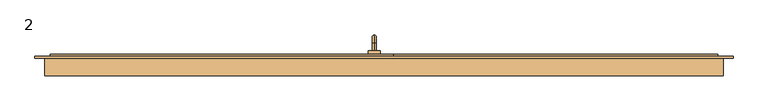
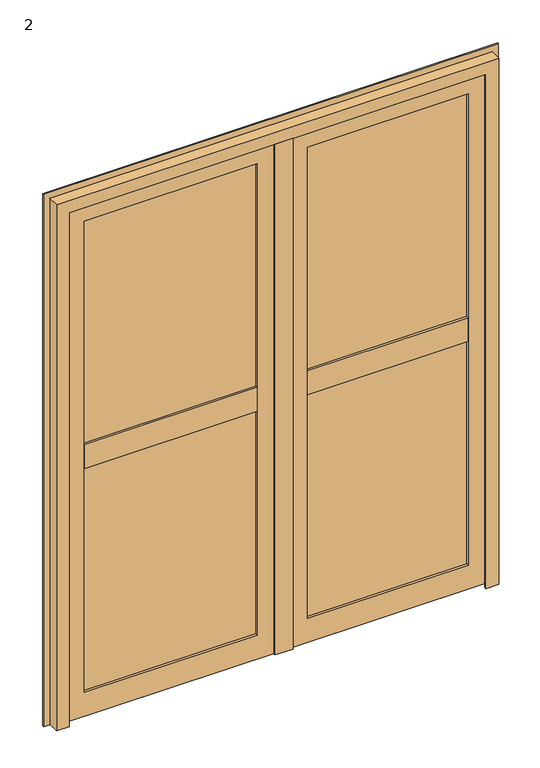
"""IFC4 building model written with IfcOpenShell, lengths in millimetres: door geometry, 2."""

from ifc_helpers import new_model, si_unit, point, frame, origin, place, context, project, spatial, polyline, circle_curve, ellipse_curve, trimmed, outline, extrude, faceted_brep, source, transform, mapped, element, save
from ifc_brep_helpers import plane_surface, cylinder_surface, revolved_surface, advanced_brep


def door_2_fb6259d6(model_context):
    return source(origin(), model_context, "Body", "SolidModel", [
        advanced_brep(
        [(-50.0, 170.0, 905.0), (-50.0, 189.0, 905.0), (-50.0, 189.0, 895.0), (-50.0, 170.0, 895.0), (-50.0, 210.0, 884.0), (-50.0, 200.0, 884.0), (-50.0, 210.0, 805.0), (-50.0, 200.0, 805.0), (-65.0, 170.0, 930.0), (-35.0, 170.0, 930.0), (-35.0, 170.0, 870.0), (-65.0, 170.0, 870.0), (-65.0, 160.0, 930.0), (-65.0, 160.0, 870.0), (-35.0, 160.0, 870.0), (-35.0, 160.0, 930.0)],
        [
            (0, 1),
            (1, 2, circle_curve(frame((-50.0, 189.0, 900.0), z_axis=(0.0, -1.0, 0.0), x_axis=(0.0, 0.0, -1.0)), 5.0)),
            (2, 3),
            (3, 0, circle_curve(frame((-50.0, 170.0, 900.0), z_axis=(0.0, 1.0, 0.0), x_axis=(0.0, 0.0, -1.0)), 5.0)),
            (0, 3, circle_curve(frame((-50.0, 170.0, 900.0), z_axis=(0.0, 1.0, 0.0), x_axis=(0.0, 0.0, -1.0)), 5.0)),
            (2, 1, circle_curve(frame((-50.0, 189.0, 900.0), z_axis=(0.0, -1.0, 0.0), x_axis=(0.0, 0.0, -1.0)), 5.0)),
            (1, 4, circle_curve(frame((-50.0, 189.0, 884.0), z_axis=(-1.0, 0.0, 0.0), x_axis=(0.0, 0.0, 1.0)), 21.0)),
            (4, 5, circle_curve(frame((-50.0, 205.0, 884.0), z_axis=(0.0, 0.0, 1.0), x_axis=(0.0, -1.0, 0.0)), 5.0)),
            (5, 2, circle_curve(frame((-50.0, 189.0, 884.0), z_axis=(1.0, 0.0, 0.0), x_axis=(0.0, 0.0, 1.0)), 11.0)),
            (5, 4, circle_curve(frame((-50.0, 205.0, 884.0), z_axis=(0.0, 0.0, 1.0), x_axis=(0.0, -1.0, 0.0)), 5.0)),
            (6, 7, circle_curve(frame((-50.0, 205.0, 805.0), z_axis=(0.0, 0.0, -1.0), x_axis=(0.0, -1.0, 0.0)), 5.0)),
            (7, 6, circle_curve(frame((-50.0, 205.0, 805.0), z_axis=(0.0, 0.0, -1.0), x_axis=(0.0, -1.0, 0.0)), 5.0)),
            (4, 6),
            (7, 5),
            (8, 9),
            (9, 10),
            (10, 11),
            (11, 8),
            (12, 13),
            (13, 14),
            (14, 15),
            (15, 12),
            (8, 12),
            (15, 9),
            (14, 10),
            (13, 11),
        ],
        [
            cylinder_surface(frame((-50.0, 170.0, 900.0), z_axis=(0.0, -1.0, 0.0), x_axis=(0.0, 0.0, -1.0)), 5.0),
            revolved_surface(trimmed(ellipse_curve(frame((-50.0, 189.0, 900.0), z_axis=(0.0, -1.0, 0.0), x_axis=(0.0, 0.0, -1.0)), 5.0, 5.0), [point((-50.0, 189.0, 905.0))], [point((-50.0, 189.0, 895.0))], True, "CARTESIAN"), (-50.0, 189.0, 884.0), (-1.0, 0.0, 0.0)),
            revolved_surface(trimmed(ellipse_curve(frame((-50.0, 189.0, 900.0), z_axis=(0.0, -1.0, 0.0), x_axis=(0.0, 0.0, -1.0)), 5.0, 5.0), [point((-50.0, 189.0, 895.0))], [point((-50.0, 189.0, 905.0))], True, "CARTESIAN"), (-50.0, 189.0, 884.0), (-1.0, 0.0, 0.0)),
            plane_surface(frame((-50.0, 205.0, 805.0), z_axis=(0.0, 0.0, -1.0), x_axis=(-1.0, 0.0, 0.0))),
            cylinder_surface(frame((-50.0, 205.0, 884.0), z_axis=(0.0, 0.0, 1.0), x_axis=(0.0, -1.0, 0.0)), 5.0),
            plane_surface(frame((-35.0, 170.0, 930.0), z_axis=(0.0, 1.0, 0.0), x_axis=(1.0, 0.0, 0.0))),
            plane_surface(frame((-35.0, 160.0, 930.0), z_axis=(0.0, -1.0, 0.0), x_axis=(-1.0, 0.0, 0.0))),
            plane_surface(frame((-65.0, 170.0, 930.0), z_axis=(0.0, 0.0, 1.0), x_axis=(0.0, -1.0, 0.0))),
            plane_surface(frame((-35.0, 170.0, 930.0), z_axis=(1.0, 0.0, 0.0), x_axis=(0.0, -1.0, 0.0))),
            plane_surface(frame((-35.0, 170.0, 870.0), z_axis=(0.0, 0.0, -1.0), x_axis=(0.0, -1.0, 0.0))),
            plane_surface(frame((-65.0, 170.0, 870.0), z_axis=(-1.0, 0.0, 0.0), x_axis=(0.0, -1.0, 0.0))),
        ],
        [
            (0, [[1, 2, 3, 4]]),
            (0, [[-1, 5, -3, 6]]),
            (1, [[-2, 7, 8, 9]]),
            (2, [[-6, -9, 10, -7]]),
            (3, [[11, 12]]),
            (4, [[-8, 13, -12, 14]]),
            (4, [[-10, -14, -11, -13]]),
            (5, [[15, 16, 17, 18], [-4, -5]]),
            (6, [[19, 20, 21, 22]]),
            (7, [[-15, 23, -22, 24]]),
            (8, [[-16, -24, -21, 25]]),
            (9, [[-17, -25, -20, 26]]),
            (10, [[-18, -26, -19, -23]]),
        ],
    ),
        extrude(outline(polyline([(150.0, 22.0), (150.0, 7.0), (145.0, 7.0), (145.0, 12.0), (130.0, 12.0), (130.0, 7.0), (125.0, 7.0), (125.0, 22.0), (150.0, 22.0)])), frame((0.0, 0.0, 0.0), z_axis=(1.0, 0.0, 0.0), x_axis=(0.0, 1.0, 0.0)), (0.0, 0.0, 1.0), 835.0),
        extrude(outline(polyline([(150.0, 22.0), (150.0, 7.0), (145.0, 7.0), (145.0, 12.0), (130.0, 12.0), (130.0, 7.0), (125.0, 7.0), (125.0, 22.0), (150.0, 22.0)])), frame((-885.0, 0.0, 0.0), z_axis=(1.0, 0.0, 0.0), x_axis=(0.0, 1.0, 0.0)), (0.0, 0.0, 1.0), 885.0),
        faceted_brep([(0.0, 115.0, 40.0), (0.0, 125.0, 40.0), (0.0, 125.0, 15.0), (0.0, 115.0, 15.0), (835.0, 115.0, 40.0), (835.0, 115.0, 15.0), (835.0, 125.0, 15.0), (835.0, 125.0, 40.0), (25.0, 115.0, 40.0), (25.0, 125.0, 40.0), (810.0, 125.0, 40.0), (810.0, 115.0, 40.0), (810.0, 115.0, 2160.0), (25.0, 115.0, 2160.0), (100.0, 115.0, 2085.0), (735.0, 115.0, 2085.0), (735.0, 115.0, 115.0), (100.0, 115.0, 115.0), (835.0, 150.0, 2185.0), (835.0, 160.0, 2185.0), (0.0, 160.0, 2185.0), (0.0, 150.0, 2185.0), (760.0, 160.0, 2110.0), (760.0, 125.0, 2110.0), (75.0, 125.0, 2110.0), (75.0, 160.0, 2110.0), (735.0, 125.0, 2085.0), (100.0, 125.0, 2085.0), (810.0, 150.0, 2160.0), (25.0, 150.0, 2160.0), (0.0, 160.0, 15.0), (0.0, 150.0, 15.0), (75.0, 125.0, 90.0), (75.0, 160.0, 90.0), (100.0, 125.0, 115.0), (25.0, 150.0, 40.0), (835.0, 160.0, 15.0), (835.0, 150.0, 15.0), (760.0, 125.0, 90.0), (760.0, 160.0, 90.0), (735.0, 125.0, 115.0), (810.0, 150.0, 40.0)], [[[0, 1, 2, 3]], [[4, 5, 6, 7]], [[1, 0, 8, 9]], [[4, 7, 10, 11]], [[2, 1, 9, 10, 7, 6]], [[3, 2, 6, 5]], [[0, 3, 5, 4, 11, 12, 13, 8], [14, 15, 16, 17]], [[18, 19, 20, 21]], [[22, 23, 24, 25]], [[26, 15, 14, 27]], [[12, 28, 29, 13]], [[21, 20, 30, 31]], [[25, 24, 32, 33]], [[27, 14, 17, 34]], [[13, 29, 35, 9, 8]], [[31, 30, 36, 37]], [[33, 32, 38, 39]], [[34, 17, 16, 40]], [[35, 41, 10, 9]], [[19, 18, 37, 36]], [[20, 19, 36, 30], [22, 25, 33, 39]], [[23, 22, 39, 38]], [[24, 23, 38, 32], [26, 27, 34, 40]], [[15, 26, 40, 16]], [[28, 12, 11, 10, 41]], [[18, 21, 31, 37], [29, 28, 41, 35]]]),
        faceted_brep([(-885.0, 160.0, 2185.0), (-885.0, 150.0, 2185.0), (0.0, 150.0, 2185.0), (0.0, 160.0, 2185.0), (-810.0, 125.0, 2110.0), (-810.0, 160.0, 2110.0), (-75.0, 160.0, 2110.0), (-75.0, 125.0, 2110.0), (-785.0, 115.0, 2085.0), (-785.0, 125.0, 2085.0), (-100.0, 125.0, 2085.0), (-100.0, 115.0, 2085.0), (-860.0, 150.0, 2160.0), (-860.0, 115.0, 2160.0), (-25.0, 115.0, 2160.0), (-25.0, 150.0, 2160.0), (0.0, 150.0, 15.0), (0.0, 160.0, 15.0), (-75.0, 160.0, 90.0), (-75.0, 125.0, 90.0), (-100.0, 125.0, 115.0), (-100.0, 115.0, 115.0), (-25.0, 115.0, 40.0), (-25.0, 125.0, 40.0), (-25.0, 150.0, 40.0), (-885.0, 150.0, 15.0), (-885.0, 160.0, 15.0), (-810.0, 160.0, 90.0), (-810.0, 125.0, 90.0), (-785.0, 125.0, 115.0), (-785.0, 115.0, 115.0), (-860.0, 150.0, 40.0), (-860.0, 125.0, 40.0), (-860.0, 115.0, 40.0), (-885.0, 115.0, 40.0), (-885.0, 115.0, 15.0), (0.0, 115.0, 15.0), (0.0, 115.0, 40.0), (0.0, 125.0, 15.0), (0.0, 125.0, 40.0), (-885.0, 125.0, 40.0), (-885.0, 125.0, 15.0)], [[[0, 1, 2, 3]], [[4, 5, 6, 7]], [[8, 9, 10, 11]], [[12, 13, 14, 15]], [[3, 2, 16, 17]], [[7, 6, 18, 19]], [[11, 10, 20, 21]], [[15, 14, 22, 23, 24]], [[17, 16, 25, 26]], [[19, 18, 27, 28]], [[21, 20, 29, 30]], [[31, 24, 23, 32]], [[1, 0, 26, 25]], [[0, 3, 17, 26], [6, 5, 27, 18]], [[5, 4, 28, 27]], [[4, 7, 19, 28], [10, 9, 29, 20]], [[9, 8, 30, 29]], [[14, 13, 33, 34, 35, 36, 37, 22], [8, 11, 21, 30]], [[13, 12, 31, 32, 33]], [[2, 1, 25, 16], [12, 15, 24, 31]], [[37, 36, 38, 39]], [[34, 40, 41, 35]], [[37, 39, 23, 22]], [[40, 34, 33, 32]], [[39, 38, 41, 40, 32, 23]], [[38, 36, 35, 41]]]),
        extrude(outline(polyline([(85.0, 125.0), (85.0, 139.0), (750.0, 139.0), (750.0, 125.0), (85.0, 125.0)])), frame((0.0, 0.0, 1135.0), z_axis=(0.0, 0.0, 1.0), x_axis=(1.0, 0.0, 0.0)), (0.0, 0.0, 1.0), 965.0),
        extrude(outline(polyline([(85.0, 125.0), (85.0, 139.0), (750.0, 139.0), (750.0, 125.0), (85.0, 125.0)])), frame((0.0, 0.0, 100.0), z_axis=(0.0, 0.0, 1.0), x_axis=(1.0, 0.0, 0.0)), (0.0, 0.0, 1.0), 965.0),
        extrude(outline(polyline([(-800.0, 125.0), (-800.0, 139.0), (-85.0, 139.0), (-85.0, 125.0), (-800.0, 125.0)])), frame((0.0, 0.0, 1135.0), z_axis=(0.0, 0.0, 1.0), x_axis=(1.0, 0.0, 0.0)), (0.0, 0.0, 1.0), 965.0),
        extrude(outline(polyline([(-800.0, 125.0), (-800.0, 139.0), (-85.0, 139.0), (-85.0, 125.0), (-800.0, 125.0)])), frame((0.0, 0.0, 100.0), z_axis=(0.0, 0.0, 1.0), x_axis=(1.0, 0.0, 0.0)), (0.0, 0.0, 1.0), 965.0),
        extrude(outline(polyline([(125.0, 1075.0), (125.0, 1050.0), (115.0, 1050.0), (115.0, 1150.0), (125.0, 1150.0), (125.0, 1125.0), (160.0, 1125.0), (160.0, 1075.0), (125.0, 1075.0)])), frame((100.0, 0.0, 0.0), z_axis=(1.0, 0.0, 0.0), x_axis=(0.0, 1.0, 0.0)), (0.0, 0.0, 1.0), 635.0),
        extrude(outline(polyline([(125.0, 1125.0), (160.0, 1125.0), (160.0, 1075.0), (125.0, 1075.0), (125.0, 1050.0), (115.0, 1050.0), (115.0, 1150.0), (125.0, 1150.0), (125.0, 1125.0)])), frame((-785.0, 0.0, 0.0), z_axis=(1.0, 0.0, 0.0), x_axis=(0.0, 1.0, 0.0)), (0.0, 0.0, 1.0), 685.0),
        extrude(outline(polyline([(-785.0, 139.0), (-785.0, 160.0), (-100.0, 160.0), (-100.0, 139.0), (-785.0, 139.0)])), frame((0.0, 0.0, 1125.0), z_axis=(0.0, 0.0, 1.0), x_axis=(1.0, 0.0, 0.0)), (0.0, 0.0, 1.0), 25.0),
        extrude(outline(polyline([(-785.0, 139.0), (-785.0, 160.0), (-100.0, 160.0), (-100.0, 139.0), (-785.0, 139.0)])), frame((0.0, 0.0, 1050.0), z_axis=(0.0, 0.0, 1.0), x_axis=(1.0, 0.0, 0.0)), (0.0, 0.0, 1.0), 25.0),
        extrude(outline(polyline([(100.0, 139.0), (100.0, 160.0), (735.0, 160.0), (735.0, 139.0), (100.0, 139.0)])), frame((0.0, 0.0, 1125.0), z_axis=(0.0, 0.0, 1.0), x_axis=(1.0, 0.0, 0.0)), (0.0, 0.0, 1.0), 25.0),
        extrude(outline(polyline([(100.0, 139.0), (100.0, 160.0), (735.0, 160.0), (735.0, 139.0), (100.0, 139.0)])), frame((0.0, 0.0, 1050.0), z_axis=(0.0, 0.0, 1.0), x_axis=(1.0, 0.0, 0.0)), (0.0, 0.0, 1.0), 25.0),
        extrude(outline(polyline([(2110.0, 75.0), (90.0, 75.0), (90.0, 760.0), (2110.0, 760.0), (2110.0, 75.0)]), holes=[polyline([(2085.0, 735.0), (115.0, 735.0), (115.0, 100.0), (2085.0, 100.0), (2085.0, 735.0)])]), frame((0.0, 139.0, 0.0), z_axis=(0.0, 1.0, 0.0), x_axis=(0.0, 0.0, 1.0)), (0.0, 0.0, 1.0), 21.0),
        faceted_brep([(25.0, 150.0, 2185.0), (-10.0, 150.0, 2185.0), (-10.0, 115.0, 2185.0), (25.0, 115.0, 2185.0), (25.0, 150.0, 15.0), (-10.0, 150.0, 15.0), (-10.0, 115.0, 15.0), (-10.0, 115.0, 2150.0), (25.0, 115.0, 2150.0), (25.0, 115.0, 15.0), (35.0, 105.0, 2150.0), (35.0, 115.0, 2150.0), (-35.0, 115.0, 2150.0), (-35.0, 105.0, 2150.0), (35.0, 105.0, 15.0), (-35.0, 105.0, 15.0), (-35.0, 115.0, 15.0), (35.0, 115.0, 15.0)], [[[0, 1, 2, 3]], [[1, 0, 4, 5]], [[2, 1, 5, 6, 7]], [[3, 2, 7, 8]], [[4, 0, 3, 8, 9]], [[10, 11, 8, 7, 12, 13]], [[14, 15, 16, 6, 5, 4, 9, 17]], [[11, 10, 14, 17]], [[8, 11, 17, 9]], [[12, 7, 6, 16]], [[13, 12, 16, 15]], [[10, 13, 15, 14]]]),
        extrude(outline(polyline([(2110.0, -810.0), (90.0, -810.0), (90.0, -75.0), (2110.0, -75.0), (2110.0, -810.0)]), holes=[polyline([(2085.0, -100.0), (115.0, -100.0), (115.0, -785.0), (2085.0, -785.0), (2085.0, -100.0)])]), frame((0.0, 139.0, 0.0), z_axis=(0.0, 1.0, 0.0), x_axis=(0.0, 0.0, 1.0)), (0.0, 0.0, 1.0), 21.0),
        faceted_brep([(-900.0, 105.0, 0.0), (-900.0, 150.0, 0.0), (-875.0, 150.0, 0.0), (-875.0, 115.0, 0.0), (-850.0, 115.0, 0.0), (-850.0, 105.0, 0.0), (-900.0, 150.0, 2200.0), (-900.0, 105.0, 2200.0), (850.0, 105.0, 2200.0), (850.0, 150.0, 2200.0), (-875.0, 115.0, 2175.0), (-875.0, 150.0, 2175.0), (825.0, 150.0, 2175.0), (825.0, 115.0, 2175.0), (-850.0, 105.0, 2150.0), (-850.0, 115.0, 2150.0), (800.0, 115.0, 2150.0), (800.0, 105.0, 2150.0), (850.0, 105.0, 0.0), (850.0, 150.0, 0.0), (825.0, 150.0, 0.0), (825.0, 115.0, 0.0), (800.0, 115.0, 0.0), (800.0, 105.0, 0.0)], [[[0, 1, 2, 3, 4, 5]], [[6, 7, 8, 9]], [[10, 11, 12, 13]], [[14, 15, 16, 17]], [[9, 8, 18, 19]], [[13, 12, 20, 21]], [[17, 16, 22, 23]], [[18, 23, 22, 21, 20, 19]], [[1, 0, 7, 6]], [[2, 1, 6, 9, 19, 20, 12, 11]], [[3, 2, 11, 10]], [[4, 3, 10, 13, 21, 22, 16, 15]], [[5, 4, 15, 14]], [[0, 5, 14, 17, 23, 18, 8, 7]]]),
        extrude(outline(polyline([(0.0, -925.0), (0.0, -890.0), (2190.0, -890.0), (2190.0, 840.0), (0.0, 840.0), (0.0, 875.0), (2225.0, 875.0), (2225.0, -925.0), (0.0, -925.0)])), frame((0.0, 150.0, 0.0), z_axis=(0.0, 1.0, 0.0), x_axis=(0.0, 0.0, 1.0)), (0.0, 0.0, 1.0), 5.0),
    ])


if __name__ == "__main__":
    model = new_model("IFC4")
    model_context = context("Model", 3, world=origin())
    ifc_project = project(units=[si_unit("LENGTHUNIT", "METRE", prefix="MILLI")], contexts=[model_context])
    site = spatial("IfcSite", under=ifc_project)
    building = spatial("IfcBuilding", under=site)
    placement = place(None, origin())
    door_2_shape = door_2_fb6259d6(model_context)
    element("IfcDoor", 1, ObjectType="2", at=placement, inside=building, context=model_context, shape_type="MappedRepresentation", body=[
        mapped(door_2_shape, transform((0.0, 0.0, 0.0), x_axis=(1.0, 0.0, 0.0), y_axis=(0.0, 1.0, 0.0), z_axis=(0.0, 0.0, 1.0))),
    ])
    save(model, "model.ifc")
